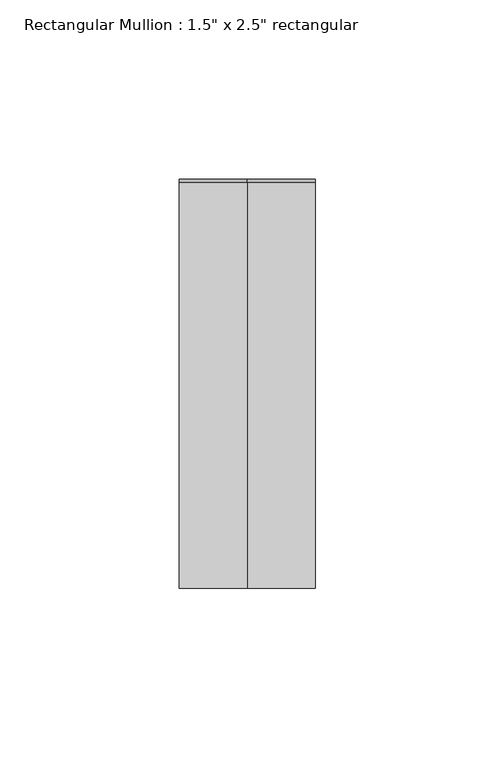
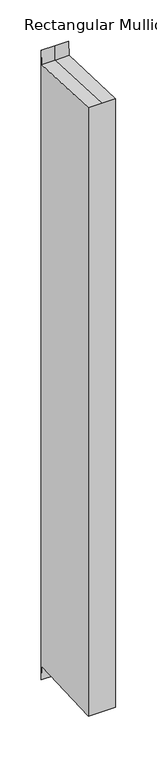
"""IFC4 building model written with IfcOpenShell, lengths in millimetres: member geometry."""

from ifc_helpers import new_model, si_unit, origin, place, context, project, spatial, faceted_brep, source, transform, mapped, element, save


def member_7a610633(model_context):
    return source(origin(), model_context, "Body", "Brep", [
        faceted_brep([(-19.05, 57.15, 17.8029826), (0.0, 57.15, 17.8029826), (19.05, 57.15, 17.8029826), (19.05, 57.15, -910.3662314), (0.0, 57.15, -910.3662314), (-19.05, 57.15, -910.3662314), (-19.05, -57.15, 2.4770742), (-19.05, 56.2646565, -2.4747166), (-19.05, 56.2646565, -890.0885322), (-19.05, -57.15, -895.0403231), (19.05, -57.15, 2.4770742), (0.0, -57.15, 2.4770742), (0.0, -57.15, -895.0403231), (19.05, -57.15, -895.0403231), (19.05, 56.2646565, -2.4747166), (19.05, 56.2646565, -890.0885322), (0.0, 56.2646565, -2.4747166), (0.0, 56.2646565, -890.0885322)], [[[0, 1, 2, 3, 4, 5]], [[6, 7, 0, 5, 8, 9]], [[10, 11, 6, 9, 12, 13]], [[2, 14, 10, 13, 15, 3]], [[2, 1, 16, 14]], [[1, 0, 7, 16]], [[7, 6, 11, 16]], [[11, 10, 14, 16]], [[3, 15, 17, 4]], [[15, 13, 12, 17]], [[12, 9, 8, 17]], [[8, 5, 4, 17]]]),
    ])


if __name__ == "__main__":
    model = new_model("IFC4")
    model_context = context("Model", 3, world=origin())
    ifc_project = project(units=[si_unit("LENGTHUNIT", "METRE", prefix="MILLI")], contexts=[model_context])
    site = spatial("IfcSite", under=ifc_project)
    building = spatial("IfcBuilding", under=site)
    placement = place(None, origin())
    member_shape = member_7a610633(model_context)
    element("IfcMember", 1, ObjectType="Rectangular Mullion : 1.5\" x 2.5\" rectangular", at=placement, inside=building, context=model_context, shape_type="MappedRepresentation", body=[
        mapped(member_shape, transform((0.0, 0.0, 0.0), x_axis=(1.0, 0.0, 0.0), y_axis=(0.0, 1.0, 0.0), z_axis=(0.0, 0.0, 1.0))),
    ])
    save(model, "model.ifc")
